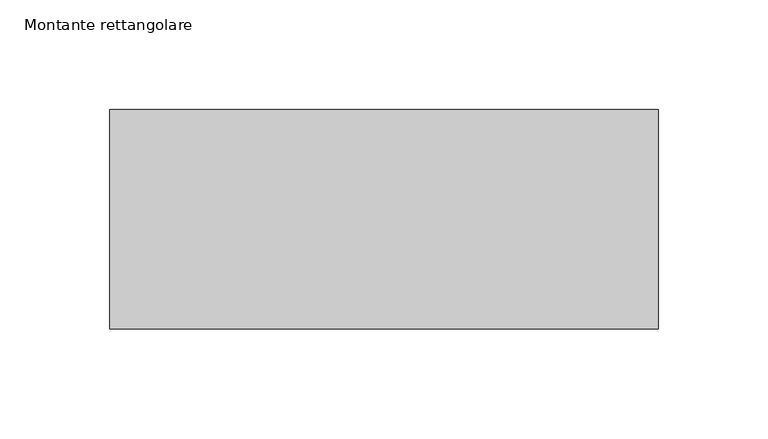
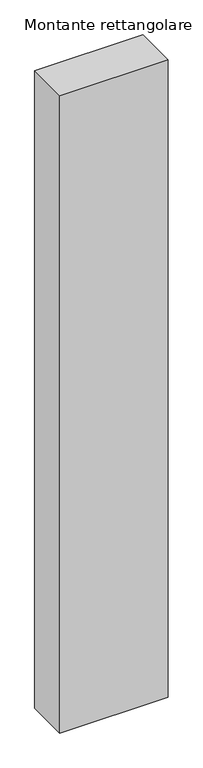
"""IFC4 building model written with IfcOpenShell, lengths in millimetres: member geometry, Montante rettangolare."""

from ifc_helpers import new_model, si_unit, frame, origin, place, context, project, spatial, polyline, outline, extrude, source, transform, mapped, element, save


def montante_rettangolare_7ebde496(model_context):
    return source(origin(), model_context, "Body", "SweptSolid", [
        extrude(outline(polyline([(0.0, 50.0), (0.0, -50.0), (-250.0, -50.0), (-250.0, 50.0), (0.0, 50.0)])), frame((0.0, 0.0, -1555.0), z_axis=(0.0, 0.0, 1.0), x_axis=(1.0, 0.0, 0.0)), (0.0, 0.0, 1.0), 1555.0),
    ])


if __name__ == "__main__":
    model = new_model("IFC4")
    model_context = context("Model", 3, world=origin())
    ifc_project = project(units=[si_unit("LENGTHUNIT", "METRE", prefix="MILLI")], contexts=[model_context])
    site = spatial("IfcSite", under=ifc_project)
    building = spatial("IfcBuilding", under=site)
    placement = place(None, origin())
    montante_rettangolare_shape = montante_rettangolare_7ebde496(model_context)
    element("IfcMember", 1, ObjectType="Montante rettangolare", at=placement, inside=building, context=model_context, shape_type="MappedRepresentation", body=[
        mapped(montante_rettangolare_shape, transform((0.0, 0.0, 0.0), x_axis=(1.0, 0.0, 0.0), y_axis=(0.0, 1.0, 0.0), z_axis=(0.0, 0.0, 1.0))),
    ])
    save(model, "model.ifc")
